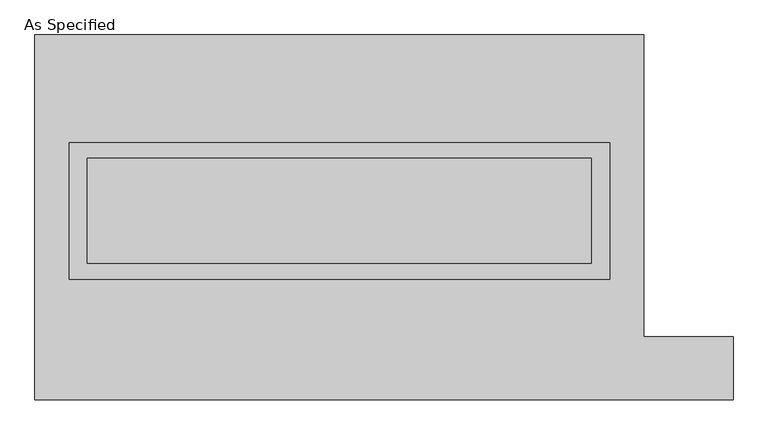
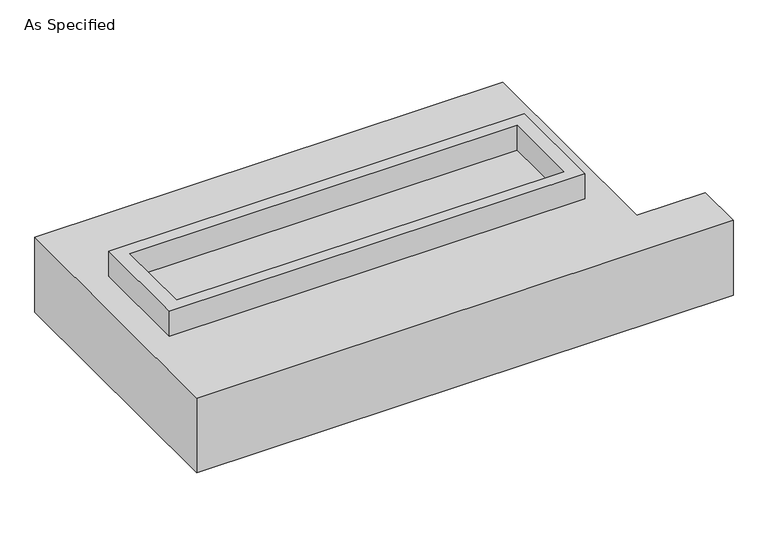
"""IFC4 building model written with IfcOpenShell, lengths in millimetres: proxy geometry, As Specified."""

import ifcopenshell
import ifcopenshell.guid

model = None  # the IFC model being written
_history = None  # IfcOwnerHistory: only IFC2X3 demands one
_inside = {}  # id of a spatial element -> (the spatial element, [elements in it])
_under = {}  # id of a project, library or spatial element -> (it, [spatial elements below it])
_declared = {}  # id of a project -> (the project, [libraries it declares])
_typed = {}  # id of a type object -> (the type object, [elements of that type])
_made_of = {}  # id of a material, layer set ... -> (it, [elements and type objects made of it])


def new_model(schema):
    """Start an empty IFC model of exactly this schema.

    Asked for "IFC4X3", IfcOpenShell would pick the latest addendum, in which some entities
    have other attributes; the version numbers below select the first issue.
    IFC2X3 requires an IfcOwnerHistory on every rooted entity: one is made here for all.
    """
    global model, _history
    if schema == "IFC4X3":
        model = ifcopenshell.file(schema_version=(4, 3, 0, 0))
    else:
        model = ifcopenshell.file(schema=schema)
    _inside.clear()
    _under.clear()
    _declared.clear()
    _typed.clear()
    _made_of.clear()
    _history = None
    if model.schema == "IFC2X3":
        org = make("IfcOrganization", Name="unknown")
        user = make(
            "IfcPersonAndOrganization",
            ThePerson=make("IfcPerson", FamilyName="unknown"),
            TheOrganization=org,
        )
        app = make(
            "IfcApplication",
            ApplicationDeveloper=org,
            Version="unknown",
            ApplicationFullName="unknown",
            ApplicationIdentifier="unknown",
        )
        _history = make(
            "IfcOwnerHistory",
            OwningUser=user,
            OwningApplication=app,
            ChangeAction="ADDED",
            CreationDate=0,
        )
    return model


def make(cls, **values):
    """One entity of the class cls with the attributes given. An attribute that is None is left unset."""
    return model.create_entity(
        cls, **{name: value for name, value in values.items() if value is not None}
    )


def rooted(cls, **values):
    """An entity with a GlobalId (a new one), such as an element, a storey or a relation."""
    return make(cls, GlobalId=ifcopenshell.guid.new(), OwnerHistory=_history, **values)


def si_unit(unit_type, name, prefix=None):
    """IfcSIUnit, for example si_unit("LENGTHUNIT", "METRE", prefix="MILLI")."""
    return make("IfcSIUnit", UnitType=unit_type, Prefix=prefix, Name=name)


def assignment(units):
    """IfcUnitAssignment: the units of a project."""
    return None if units is None else make("IfcUnitAssignment", Units=units)


def point(xyz):
    """IfcCartesianPoint."""
    return None if xyz is None else make("IfcCartesianPoint", Coordinates=xyz)


def direction(xyz):
    """IfcDirection."""
    return None if xyz is None else make("IfcDirection", DirectionRatios=xyz)


def frame(location, z_axis=None, x_axis=None):
    """IfcAxis2Placement3D, a coordinate frame: its origin and axes. An axis left out is left unset."""
    return make(
        "IfcAxis2Placement3D",
        Location=point(location),
        Axis=direction(z_axis),
        RefDirection=direction(x_axis),
    )


def origin():
    """The frame at (0, 0, 0) with its axes left unset."""
    return frame((0.0, 0.0, 0.0))


def place(relative_to, where):
    """IfcLocalPlacement: puts the frame where relative to a parent placement (None: the world)."""
    return make(
        "IfcLocalPlacement", PlacementRelTo=relative_to, RelativePlacement=where
    )


def context(
    kind, dimensions, precision=None, world=None, true_north=None, identifier=None
):
    """IfcGeometricRepresentationContext, for example the 3D "Model" context."""
    return make(
        "IfcGeometricRepresentationContext",
        ContextIdentifier=identifier,
        ContextType=kind,
        CoordinateSpaceDimension=dimensions,
        Precision=precision,
        WorldCoordinateSystem=world,
        TrueNorth=true_north,
    )


def project(units=None, contexts=None):
    """IfcProject with its units and contexts."""
    return rooted(
        "IfcProject",
        Name="project",
        RepresentationContexts=contexts,
        UnitsInContext=assignment(units),
    )


def spatial(cls, under=None, at=None, **own):
    """A site, building, storey or space (cls), placed at a placement, below another one or the project."""
    s = rooted(cls, ObjectPlacement=at, **own)
    if under is not None:
        _under.setdefault(under.id(), (under, []))[1].append(s)
    return s


def polyline(points):
    """IfcPolyline through the points."""
    return make("IfcPolyline", Points=[point(p) for p in points])


def outline(outer, holes=None, kind="AREA"):
    """IfcArbitraryClosedProfileDef: a profile drawn as a closed curve; with holes, ...WithVoids."""
    if holes is None:
        return make("IfcArbitraryClosedProfileDef", ProfileType=kind, OuterCurve=outer)
    return make(
        "IfcArbitraryProfileDefWithVoids",
        ProfileType=kind,
        OuterCurve=outer,
        InnerCurves=holes,
    )


def extrude(swept, where, along, depth):
    """IfcExtrudedAreaSolid: the profile swept, set in the frame where, extruded along a direction by depth."""
    return make(
        "IfcExtrudedAreaSolid",
        SweptArea=swept,
        Position=where,
        ExtrudedDirection=direction(along),
        Depth=depth,
    )


def shape(context_of_items, identifier, shape_type, items):
    """IfcShapeRepresentation: the items that make up one representation, for example the "Body"."""
    return make(
        "IfcShapeRepresentation",
        ContextOfItems=context_of_items,
        RepresentationIdentifier=identifier,
        RepresentationType=shape_type,
        Items=items,
    )


def source(mapping_origin, context_of_items, identifier, shape_type, items):
    """IfcRepresentationMap: a shape defined once, which mapped items show again and again."""
    return make(
        "IfcRepresentationMap",
        MappingOrigin=mapping_origin,
        MappedRepresentation=shape(context_of_items, identifier, shape_type, items),
    )


def transform(
    local_origin,
    x_axis=None,
    y_axis=None,
    z_axis=None,
    scale=None,
    scale2=None,
    scale3=None,
    uniform=True,
):
    """IfcCartesianTransformationOperator3D, or its non-uniform kind. x_axis, y_axis, z_axis: its Axis1, 2, 3."""
    if uniform:
        return make(
            "IfcCartesianTransformationOperator3D",
            Axis1=direction(x_axis),
            Axis2=direction(y_axis),
            LocalOrigin=point(local_origin),
            Scale=scale,
            Axis3=direction(z_axis),
        )
    return make(
        "IfcCartesianTransformationOperator3DnonUniform",
        Axis1=direction(x_axis),
        Axis2=direction(y_axis),
        LocalOrigin=point(local_origin),
        Scale=scale,
        Axis3=direction(z_axis),
        Scale2=scale2,
        Scale3=scale3,
    )


def mapped(mapping_source, mapping_target):
    """IfcMappedItem: shows the shape of a source again, moved by a transform."""
    return make(
        "IfcMappedItem", MappingSource=mapping_source, MappingTarget=mapping_target
    )


def made_of(thing, what):
    """Note that an element or type object is made of a material, layer set ...; save() writes the relation."""
    if what is not None:
        _made_of.setdefault(what.id(), (what, []))[1].append(thing)
    return thing


def element(
    cls,
    number,
    at=None,
    inside=None,
    cuts=None,
    type_object=None,
    material=None,
    context=None,
    identifier="Body",
    shape_type=None,
    held_by="IfcProductDefinitionShape",
    body=None,
    shapes=None,
    **own,
):
    """One element of the class cls, such as IfcWall. Its Tag is "e" and its number.

    at: its placement. inside: the storey or other place that contains it. cuts: it is an
    opening in that element (IfcRelVoidsElement). A single representation is given by context,
    identifier, shape_type and body (its items); several are given by shapes. held_by: the class
    of the entity that holds the representations. save() writes the other relations.
    """
    e = rooted(cls, Tag="e%d" % number, ObjectPlacement=at, **own)
    if body is not None:
        shapes = [shape(context, identifier, shape_type, body)]
    if shapes is not None:
        e.Representation = make(held_by, Representations=shapes)
    if inside is not None:
        _inside.setdefault(inside.id(), (inside, []))[1].append(e)
    if cuts is not None:
        rooted(
            "IfcRelVoidsElement", RelatingBuildingElement=cuts, RelatedOpeningElement=e
        )
    if type_object is not None:
        _typed.setdefault(type_object.id(), (type_object, []))[1].append(e)
    return made_of(e, material)


def aggregate(whole, parts):
    """IfcRelAggregates: a whole, such as a stair, and the parts it consists of."""
    return rooted("IfcRelAggregates", RelatingObject=whole, RelatedObjects=parts)


def save(model, path):
    """Write the relations noted so far, then the file.

    IfcRelAggregates (storeys below a building ...), IfcRelContainedInSpatialStructure (elements
    in a storey), IfcRelDefinesByType, IfcRelAssociatesMaterial and IfcRelDeclares: one each for
    every whole, place, type object, material and project.
    """
    for whole, parts in _under.values():
        aggregate(whole, parts)
    for where, things in _inside.values():
        rooted(
            "IfcRelContainedInSpatialStructure",
            RelatedElements=things,
            RelatingStructure=where,
        )
    for kind, things in _typed.values():
        rooted("IfcRelDefinesByType", RelatedObjects=things, RelatingType=kind)
    for what, things in _made_of.values():
        rooted("IfcRelAssociatesMaterial", RelatedObjects=things, RelatingMaterial=what)
    for by, libraries in _declared.values():
        rooted("IfcRelDeclares", RelatingContext=by, RelatedDefinitions=libraries)
    model.write(path)


def as_specified_ab0fa967(model_context):
    return source(origin(), model_context, "Body", "SweptSolid", [
        extrude(outline(polyline([(1308.1, 361.95), (1308.1, -298.45), (-1308.1, -298.45), (-1308.1, 361.95), (1308.1, 361.95)]), holes=[polyline([(1219.2, 285.75), (-1219.2, 285.75), (-1219.2, -222.25), (1219.2, -222.25), (1219.2, 285.75)])]), frame((0.0, 0.0, -688.975), z_axis=(0.0, 0.0, 1.0), x_axis=(1.0, 0.0, 0.0)), (0.0, 0.0, 1.0), 165.1),
        extrude(outline(polyline([(1308.1, 361.95), (1308.1, -298.45), (-1308.1, -298.45), (-1308.1, 361.95), (1308.1, 361.95)]), holes=[polyline([(1219.2, 285.75), (-1219.2, 285.75), (-1219.2, -222.25), (1219.2, -222.25), (1219.2, 285.75)])]), frame((0.0, 0.0, -25.4), z_axis=(0.0, 0.0, 1.0), x_axis=(1.0, 0.0, 0.0)), (0.0, 0.0, 1.0), 165.1),
        extrude(outline(polyline([(1219.2, 285.75), (1219.2, -222.25), (-1219.2, -222.25), (-1219.2, 285.75), (1219.2, 285.75)])), frame((0.0, 0.0, -523.875), z_axis=(0.0, 0.0, 1.0), x_axis=(1.0, 0.0, 0.0)), (0.0, 0.0, 1.0), 4.9609375),
        extrude(outline(polyline([(1219.2, 285.75), (1219.2, -222.25), (-1219.2, -222.25), (-1219.2, 285.75), (1219.2, 285.75)])), frame((0.0, 0.0, -30.3609375), z_axis=(0.0, 0.0, 1.0), x_axis=(1.0, 0.0, 0.0)), (0.0, 0.0, 1.0), 4.9609375),
        extrude(outline(polyline([(-1473.2, 882.65), (1473.2, 882.65), (1473.2, -577.85), (1905.0, -577.85), (1905.0, -882.65), (-1473.2, -882.65), (-1473.2, 882.65)]), holes=[polyline([(-1308.1, 361.95), (-1308.1, -298.45), (1308.1, -298.45), (1308.1, 361.95), (-1308.1, 361.95)])]), frame((0.0, 0.0, -523.875), z_axis=(0.0, 0.0, 1.0), x_axis=(1.0, 0.0, 0.0)), (0.0, 0.0, 1.0), 498.475),
    ])


if __name__ == "__main__":
    model = new_model("IFC4")
    model_context = context("Model", 3, world=origin())
    ifc_project = project(units=[si_unit("LENGTHUNIT", "METRE", prefix="MILLI")], contexts=[model_context])
    site = spatial("IfcSite", under=ifc_project)
    building = spatial("IfcBuilding", under=site)
    placement = place(None, origin())
    as_specified_shape = as_specified_ab0fa967(model_context)
    element("IfcBuildingElementProxy", 1, Name="As Specified", ObjectType="As Specified", at=placement, inside=building, context=model_context, shape_type="MappedRepresentation", body=[
        mapped(as_specified_shape, transform((0.0, 0.0, 0.0), x_axis=(1.0, 0.0, 0.0), y_axis=(0.0, 1.0, 0.0), z_axis=(0.0, 0.0, 1.0))),
    ])
    save(model, "model.ifc")
